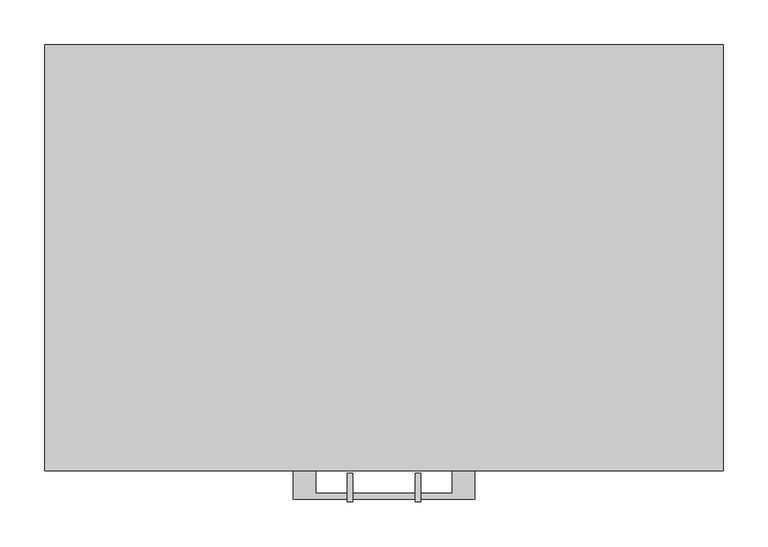
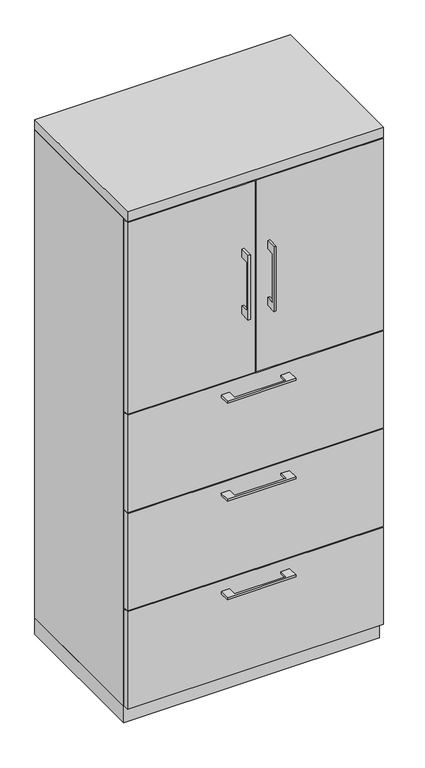
"""IFC4 building model written with IfcOpenShell, lengths in millimetres: furniture geometry."""

from ifc_helpers import new_model, si_unit, frame, origin, origin_with_axes, place, context, project, spatial, polyline, outline, extrude, source, transform, mapped, element, save


def furniture_a109b9d6(model_context):
    return source(origin(), model_context, "Body", "SweptSolid", [
        extrude(outline(polyline([(-76.1999818, -476.25), (-76.1999818, -501.6499758), (76.2, -501.6499758), (76.2, -476.25), (101.5999939, -476.25), (101.5999939, -507.9999879), (-101.5999939, -507.9999879), (-101.5999939, -476.25), (-76.1999818, -476.25)])), frame((0.0, 0.0, 935.0375506), z_axis=(0.0, 0.0, 1.0), x_axis=(1.0, 0.0, 0.0)), (0.0, 0.0, 1.0), 6.3499758),
        extrude(outline(polyline([(379.4125, -457.2), (379.4125, -476.25), (-379.4125, -476.25), (-379.4125, -457.2), (379.4125, -457.2)])), frame((0.0, 0.0, 669.925), z_axis=(0.0, 0.0, 1.0), x_axis=(1.0, 0.0, 0.0)), (0.0, 0.0, 1.0), 304.8),
        extrude(outline(polyline([(-479.425, 1354.1375), (-504.8249758, 1354.1375), (-504.8249758, 1201.7375), (-479.425, 1201.7375), (-479.425, 1176.3375), (-511.1749879, 1176.3375), (-511.1749879, 1379.5375), (-479.425, 1379.5375), (-479.425, 1354.1375)])), frame((-41.2749879, 0.0, 0.0), z_axis=(1.0, 0.0, 0.0), x_axis=(0.0, 1.0, 0.0)), (0.0, 0.0, 1.0), 6.3499758),
        extrude(outline(polyline([(-379.4125, -476.25), (-379.4125, -457.2), (-1.5875, -457.2), (-1.5875, -476.25), (-379.4125, -476.25)])), frame((0.0, 0.0, 977.9), z_axis=(0.0, 0.0, 1.0), x_axis=(1.0, 0.0, 0.0)), (0.0, 0.0, 1.0), 600.075),
        extrude(outline(polyline([(-479.425, 1354.1375), (-504.8249758, 1354.1375), (-504.8249758, 1201.7375), (-479.425, 1201.7375), (-479.425, 1176.3375), (-511.1749879, 1176.3375), (-511.1749879, 1379.5375), (-479.425, 1379.5375), (-479.425, 1354.1375)])), frame((34.9250121, 0.0, 0.0), z_axis=(1.0, 0.0, 0.0), x_axis=(0.0, 1.0, 0.0)), (0.0, 0.0, 1.0), 6.3499758),
        extrude(outline(polyline([(379.4125, -476.25), (1.5875, -476.25), (1.5875, -457.2), (379.4125, -457.2), (379.4125, -476.25)])), frame((0.0, 0.0, 977.9), z_axis=(0.0, 0.0, 1.0), x_axis=(1.0, 0.0, 0.0)), (0.0, 0.0, 1.0), 600.075),
        extrude(outline(polyline([(360.3625, -19.05), (360.3625, -457.2), (-360.3625, -457.2), (-360.3625, -19.05), (360.3625, -19.05)])), frame((0.0, 0.0, 1270.0), z_axis=(0.0, 0.0, 1.0), x_axis=(1.0, 0.0, 0.0)), (0.0, 0.0, 1.0), 19.05),
        extrude(outline(polyline([(-76.1999818, -476.25), (-76.1999818, -501.6499758), (76.2, -501.6499758), (76.2, -476.25), (101.5999939, -476.25), (101.5999939, -507.9999879), (-101.5999939, -507.9999879), (-101.5999939, -476.25), (-76.1999818, -476.25)])), frame((0.0, 0.0, 627.0625506), z_axis=(0.0, 0.0, 1.0), x_axis=(1.0, 0.0, 0.0)), (0.0, 0.0, 1.0), 6.3499758),
        extrude(outline(polyline([(379.4125, -457.2), (379.4125, -476.25), (-379.4125, -476.25), (-379.4125, -457.2), (379.4125, -457.2)])), frame((0.0, 0.0, 361.95), z_axis=(0.0, 0.0, 1.0), x_axis=(1.0, 0.0, 0.0)), (0.0, 0.0, 1.0), 304.8),
        extrude(outline(polyline([(-76.1999818, -476.25), (-76.1999818, -501.6499758), (76.2, -501.6499758), (76.2, -476.25), (101.5999939, -476.25), (101.5999939, -507.9999879), (-101.5999939, -507.9999879), (-101.5999939, -476.25), (-76.1999818, -476.25)])), frame((0.0, 0.0, 319.0875506), z_axis=(0.0, 0.0, 1.0), x_axis=(1.0, 0.0, 0.0)), (0.0, 0.0, 1.0), 6.3499758),
        extrude(outline(polyline([(379.4125, -457.2), (379.4125, -476.25), (-379.4125, -476.25), (-379.4125, -457.2), (379.4125, -457.2)])), frame((0.0, 0.0, 53.975), z_axis=(0.0, 0.0, 1.0), x_axis=(1.0, 0.0, 0.0)), (0.0, 0.0, 1.0), 304.8),
        extrude(outline(polyline([(360.3625, -19.05), (360.3625, -457.2), (-360.3625, -457.2), (-360.3625, -19.05), (360.3625, -19.05)])), frame((0.0, 0.0, 50.8), z_axis=(0.0, 0.0, 1.0), x_axis=(1.0, 0.0, 0.0)), (0.0, 0.0, 1.0), 927.1),
        extrude(outline(polyline([(-379.4125, 0.0), (379.4125, 0.0), (379.4125, -457.2), (360.3625, -457.2), (360.3625, -19.05), (-360.3625, -19.05), (-360.3625, -457.2), (-379.4125, -457.2), (-379.4125, 0.0)])), frame((0.0, 0.0, 50.8), z_axis=(0.0, 0.0, 1.0), x_axis=(1.0, 0.0, 0.0)), (0.0, 0.0, 1.0), 1530.35),
        extrude(outline(polyline([(379.4125, 0.0), (379.4125, -476.25), (-379.4125, -476.25), (-379.4125, 0.0), (379.4125, 0.0)])), frame((0.0, 0.0, 1581.15), z_axis=(0.0, 0.0, 1.0), x_axis=(1.0, 0.0, 0.0)), (0.0, 0.0, 1.0), 31.75),
        extrude(outline(polyline([(379.4125, 0.0), (379.4125, -457.2), (-379.4125, -457.2), (-379.4125, 0.0), (379.4125, 0.0)])), origin_with_axes(), (0.0, 0.0, 1.0), 50.8),
    ])


if __name__ == "__main__":
    model = new_model("IFC4")
    model_context = context("Model", 3, world=origin())
    ifc_project = project(units=[si_unit("LENGTHUNIT", "METRE", prefix="MILLI")], contexts=[model_context])
    site = spatial("IfcSite", under=ifc_project)
    building = spatial("IfcBuilding", under=site)
    placement = place(None, origin())
    furniture_shape = furniture_a109b9d6(model_context)
    element("IfcFurniture", 1, at=placement, inside=building, context=model_context, shape_type="MappedRepresentation", body=[
        mapped(furniture_shape, transform((0.0, 0.0, 0.0), x_axis=(1.0, 0.0, 0.0), y_axis=(0.0, 1.0, 0.0), z_axis=(0.0, 0.0, 1.0))),
    ])
    save(model, "model.ifc")
